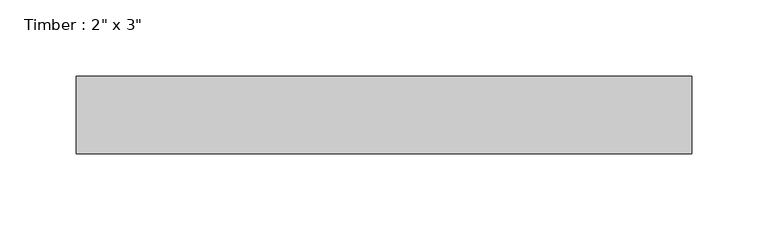
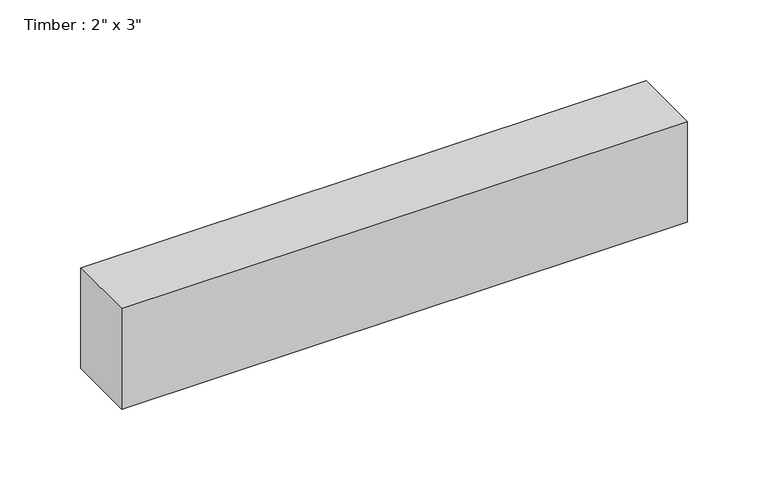
"""IFC4 building model written with IfcOpenShell, lengths in millimetres: beam geometry."""

from ifc_helpers import new_model, si_unit, frame, origin, place, context, project, spatial, polyline, outline, extrude, source, transform, mapped, element, save


def beam_2b51e139(model_context):
    return source(origin(), model_context, "Body", "SweptSolid", [
        extrude(outline(polyline([(202.0372713, -25.4), (-202.0372713, -25.4), (-202.0372713, 25.4), (202.0372713, 25.4), (202.0372713, -25.4)])), frame((0.0, 0.0, -38.1), z_axis=(0.0, 0.0, 1.0), x_axis=(1.0, 0.0, 0.0)), (0.0, 0.0, 1.0), 76.2),
    ])


if __name__ == "__main__":
    model = new_model("IFC4")
    model_context = context("Model", 3, world=origin())
    ifc_project = project(units=[si_unit("LENGTHUNIT", "METRE", prefix="MILLI")], contexts=[model_context])
    site = spatial("IfcSite", under=ifc_project)
    building = spatial("IfcBuilding", under=site)
    placement = place(None, origin())
    beam_shape = beam_2b51e139(model_context)
    element("IfcBeam", 1, ObjectType="Timber : 2\" x 3\"", at=placement, inside=building, context=model_context, shape_type="MappedRepresentation", body=[
        mapped(beam_shape, transform((0.0, 0.0, 0.0), x_axis=(1.0, 0.0, 0.0), y_axis=(0.0, 1.0, 0.0), z_axis=(0.0, 0.0, 1.0))),
    ])
    save(model, "model.ifc")
